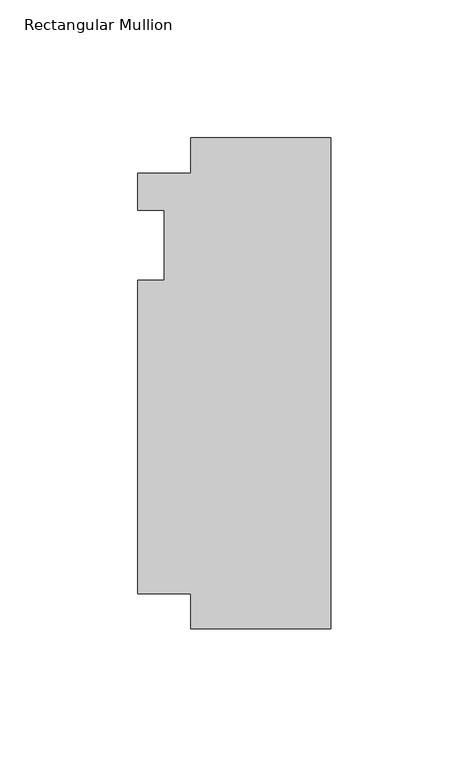
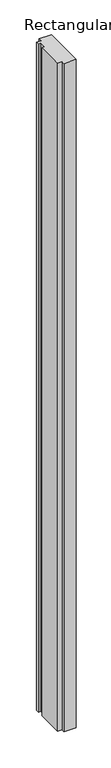
"""IFC4 building model written with IfcOpenShell, lengths in millimetres: member geometry, Rectangular Mullion."""

from ifc_helpers import new_model, si_unit, frame, origin, place, context, project, spatial, polyline, outline, extrude, source, transform, mapped, element, save


def rectangular_mullion_81be6ff5(model_context):
    return source(origin(), model_context, "Body", "SweptSolid", [
        extrude(outline(polyline([(-69.85, 26.19375), (-50.8, 26.19375), (-50.8, 38.8943162), (0.0, 38.8943162), (0.0, -138.90625), (-50.8, -138.90625), (-50.8, -126.20625), (-69.85, -126.20625), (-69.85, -12.7), (-60.325, -12.7), (-60.325, 12.7), (-69.85, 12.7), (-69.85, 26.19375)])), frame((0.0, 0.0, -2933.7), z_axis=(0.0, 0.0, 1.0), x_axis=(1.0, 0.0, 0.0)), (0.0, 0.0, 1.0), 2933.7),
    ])


if __name__ == "__main__":
    model = new_model("IFC4")
    model_context = context("Model", 3, world=origin())
    ifc_project = project(units=[si_unit("LENGTHUNIT", "METRE", prefix="MILLI")], contexts=[model_context])
    site = spatial("IfcSite", under=ifc_project)
    building = spatial("IfcBuilding", under=site)
    placement = place(None, origin())
    rectangular_mullion_shape = rectangular_mullion_81be6ff5(model_context)
    element("IfcMember", 1, ObjectType="Rectangular Mullion", at=placement, inside=building, context=model_context, shape_type="MappedRepresentation", body=[
        mapped(rectangular_mullion_shape, transform((0.0, 0.0, 0.0), x_axis=(1.0, 0.0, 0.0), y_axis=(0.0, 1.0, 0.0), z_axis=(0.0, 0.0, 1.0))),
    ])
    save(model, "model.ifc")
